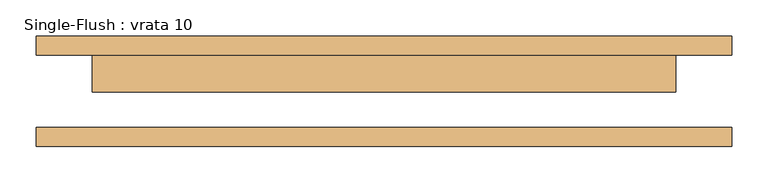
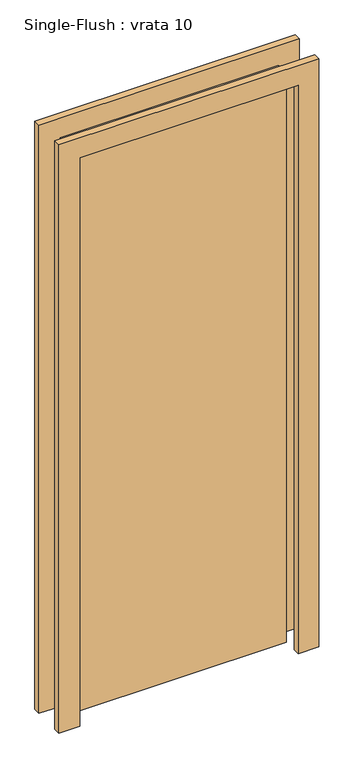
"""IFC4 building model written with IfcOpenShell, lengths in millimetres: door geometry, Single-Flush : vrata 10."""

from ifc_helpers import new_model, si_unit, frame, origin, origin_with_axes, place, context, project, spatial, polyline, outline, extrude, source, transform, mapped, element, save


def single_flush_vrata_10_6a93c3d9(model_context):
    return source(origin(), model_context, "Body", "SweptSolid", [
        extrude(outline(polyline([(2276.2, -476.2), (0.0, -476.2), (0.0, -400.0), (2200.0, -400.0), (2200.0, 400.0), (0.0, 400.0), (0.0, 476.2), (2276.2, 476.2), (2276.2, -476.2)])), frame((0.0, 50.0, 0.0), z_axis=(0.0, 1.0, 0.0), x_axis=(0.0, 0.0, 1.0)), (0.0, 0.0, 1.0), 25.4),
        extrude(outline(polyline([(2276.2, 476.2), (2276.2, -476.2), (0.0, -476.2), (0.0, -400.0), (2200.0, -400.0), (2200.0, 400.0), (0.0, 400.0), (0.0, 476.2), (2276.2, 476.2)])), frame((0.0, -75.4, 0.0), z_axis=(0.0, 1.0, 0.0), x_axis=(0.0, 0.0, 1.0)), (0.0, 0.0, 1.0), 25.4),
        extrude(outline(polyline([(400.0, -0.8), (-400.0, -0.8), (-400.0, 50.0), (400.0, 50.0), (400.0, -0.8)])), origin_with_axes(), (0.0, 0.0, 1.0), 2200.0),
    ])


if __name__ == "__main__":
    model = new_model("IFC4")
    model_context = context("Model", 3, world=origin())
    ifc_project = project(units=[si_unit("LENGTHUNIT", "METRE", prefix="MILLI")], contexts=[model_context])
    site = spatial("IfcSite", under=ifc_project)
    building = spatial("IfcBuilding", under=site)
    placement = place(None, origin())
    single_flush_vrata_10_shape = single_flush_vrata_10_6a93c3d9(model_context)
    element("IfcDoor", 1, ObjectType="Single-Flush : vrata 10", at=placement, inside=building, context=model_context, shape_type="MappedRepresentation", body=[
        mapped(single_flush_vrata_10_shape, transform((0.0, 0.0, 0.0), x_axis=(1.0, 0.0, 0.0), y_axis=(0.0, 1.0, 0.0), z_axis=(0.0, 0.0, 1.0))),
    ])
    save(model, "model.ifc")
